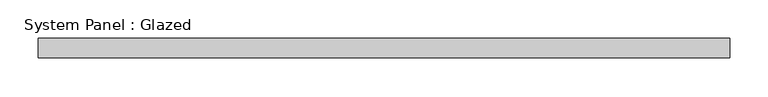
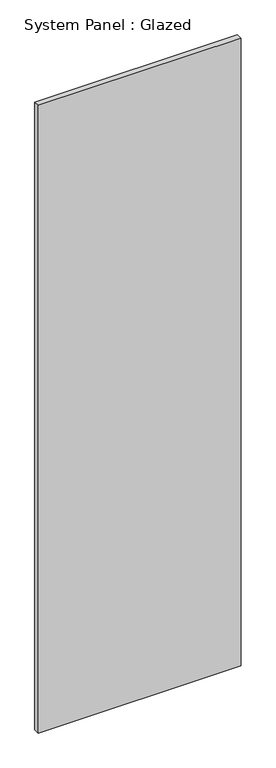
"""IFC4 building model written with IfcOpenShell, lengths in millimetres: plate geometry, System Panel : Glazed."""

import ifcopenshell
import ifcopenshell.guid

model = None  # the IFC model being written
_history = None  # IfcOwnerHistory: only IFC2X3 demands one
_inside = {}  # id of a spatial element -> (the spatial element, [elements in it])
_under = {}  # id of a project, library or spatial element -> (it, [spatial elements below it])
_declared = {}  # id of a project -> (the project, [libraries it declares])
_typed = {}  # id of a type object -> (the type object, [elements of that type])
_made_of = {}  # id of a material, layer set ... -> (it, [elements and type objects made of it])


def new_model(schema):
    """Start an empty IFC model of exactly this schema.

    Asked for "IFC4X3", IfcOpenShell would pick the latest addendum, in which some entities
    have other attributes; the version numbers below select the first issue.
    IFC2X3 requires an IfcOwnerHistory on every rooted entity: one is made here for all.
    """
    global model, _history
    if schema == "IFC4X3":
        model = ifcopenshell.file(schema_version=(4, 3, 0, 0))
    else:
        model = ifcopenshell.file(schema=schema)
    _inside.clear()
    _under.clear()
    _declared.clear()
    _typed.clear()
    _made_of.clear()
    _history = None
    if model.schema == "IFC2X3":
        org = make("IfcOrganization", Name="unknown")
        user = make(
            "IfcPersonAndOrganization",
            ThePerson=make("IfcPerson", FamilyName="unknown"),
            TheOrganization=org,
        )
        app = make(
            "IfcApplication",
            ApplicationDeveloper=org,
            Version="unknown",
            ApplicationFullName="unknown",
            ApplicationIdentifier="unknown",
        )
        _history = make(
            "IfcOwnerHistory",
            OwningUser=user,
            OwningApplication=app,
            ChangeAction="ADDED",
            CreationDate=0,
        )
    return model


def make(cls, **values):
    """One entity of the class cls with the attributes given. An attribute that is None is left unset."""
    return model.create_entity(
        cls, **{name: value for name, value in values.items() if value is not None}
    )


def rooted(cls, **values):
    """An entity with a GlobalId (a new one), such as an element, a storey or a relation."""
    return make(cls, GlobalId=ifcopenshell.guid.new(), OwnerHistory=_history, **values)


def si_unit(unit_type, name, prefix=None):
    """IfcSIUnit, for example si_unit("LENGTHUNIT", "METRE", prefix="MILLI")."""
    return make("IfcSIUnit", UnitType=unit_type, Prefix=prefix, Name=name)


def assignment(units):
    """IfcUnitAssignment: the units of a project."""
    return None if units is None else make("IfcUnitAssignment", Units=units)


def point(xyz):
    """IfcCartesianPoint."""
    return None if xyz is None else make("IfcCartesianPoint", Coordinates=xyz)


def direction(xyz):
    """IfcDirection."""
    return None if xyz is None else make("IfcDirection", DirectionRatios=xyz)


def frame(location, z_axis=None, x_axis=None):
    """IfcAxis2Placement3D, a coordinate frame: its origin and axes. An axis left out is left unset."""
    return make(
        "IfcAxis2Placement3D",
        Location=point(location),
        Axis=direction(z_axis),
        RefDirection=direction(x_axis),
    )


def origin():
    """The frame at (0, 0, 0) with its axes left unset."""
    return frame((0.0, 0.0, 0.0))


def origin_with_axes():
    """The frame at (0, 0, 0) with the z axis (0, 0, 1) and the x axis (1, 0, 0) written out."""
    return frame((0.0, 0.0, 0.0), z_axis=(0.0, 0.0, 1.0), x_axis=(1.0, 0.0, 0.0))


def place(relative_to, where):
    """IfcLocalPlacement: puts the frame where relative to a parent placement (None: the world)."""
    return make(
        "IfcLocalPlacement", PlacementRelTo=relative_to, RelativePlacement=where
    )


def context(
    kind, dimensions, precision=None, world=None, true_north=None, identifier=None
):
    """IfcGeometricRepresentationContext, for example the 3D "Model" context."""
    return make(
        "IfcGeometricRepresentationContext",
        ContextIdentifier=identifier,
        ContextType=kind,
        CoordinateSpaceDimension=dimensions,
        Precision=precision,
        WorldCoordinateSystem=world,
        TrueNorth=true_north,
    )


def project(units=None, contexts=None):
    """IfcProject with its units and contexts."""
    return rooted(
        "IfcProject",
        Name="project",
        RepresentationContexts=contexts,
        UnitsInContext=assignment(units),
    )


def spatial(cls, under=None, at=None, **own):
    """A site, building, storey or space (cls), placed at a placement, below another one or the project."""
    s = rooted(cls, ObjectPlacement=at, **own)
    if under is not None:
        _under.setdefault(under.id(), (under, []))[1].append(s)
    return s


def polyline(points):
    """IfcPolyline through the points."""
    return make("IfcPolyline", Points=[point(p) for p in points])


def outline(outer, holes=None, kind="AREA"):
    """IfcArbitraryClosedProfileDef: a profile drawn as a closed curve; with holes, ...WithVoids."""
    if holes is None:
        return make("IfcArbitraryClosedProfileDef", ProfileType=kind, OuterCurve=outer)
    return make(
        "IfcArbitraryProfileDefWithVoids",
        ProfileType=kind,
        OuterCurve=outer,
        InnerCurves=holes,
    )


def extrude(swept, where, along, depth):
    """IfcExtrudedAreaSolid: the profile swept, set in the frame where, extruded along a direction by depth."""
    return make(
        "IfcExtrudedAreaSolid",
        SweptArea=swept,
        Position=where,
        ExtrudedDirection=direction(along),
        Depth=depth,
    )


def shape(context_of_items, identifier, shape_type, items):
    """IfcShapeRepresentation: the items that make up one representation, for example the "Body"."""
    return make(
        "IfcShapeRepresentation",
        ContextOfItems=context_of_items,
        RepresentationIdentifier=identifier,
        RepresentationType=shape_type,
        Items=items,
    )


def source(mapping_origin, context_of_items, identifier, shape_type, items):
    """IfcRepresentationMap: a shape defined once, which mapped items show again and again."""
    return make(
        "IfcRepresentationMap",
        MappingOrigin=mapping_origin,
        MappedRepresentation=shape(context_of_items, identifier, shape_type, items),
    )


def transform(
    local_origin,
    x_axis=None,
    y_axis=None,
    z_axis=None,
    scale=None,
    scale2=None,
    scale3=None,
    uniform=True,
):
    """IfcCartesianTransformationOperator3D, or its non-uniform kind. x_axis, y_axis, z_axis: its Axis1, 2, 3."""
    if uniform:
        return make(
            "IfcCartesianTransformationOperator3D",
            Axis1=direction(x_axis),
            Axis2=direction(y_axis),
            LocalOrigin=point(local_origin),
            Scale=scale,
            Axis3=direction(z_axis),
        )
    return make(
        "IfcCartesianTransformationOperator3DnonUniform",
        Axis1=direction(x_axis),
        Axis2=direction(y_axis),
        LocalOrigin=point(local_origin),
        Scale=scale,
        Axis3=direction(z_axis),
        Scale2=scale2,
        Scale3=scale3,
    )


def mapped(mapping_source, mapping_target):
    """IfcMappedItem: shows the shape of a source again, moved by a transform."""
    return make(
        "IfcMappedItem", MappingSource=mapping_source, MappingTarget=mapping_target
    )


def made_of(thing, what):
    """Note that an element or type object is made of a material, layer set ...; save() writes the relation."""
    if what is not None:
        _made_of.setdefault(what.id(), (what, []))[1].append(thing)
    return thing


def element(
    cls,
    number,
    at=None,
    inside=None,
    cuts=None,
    type_object=None,
    material=None,
    context=None,
    identifier="Body",
    shape_type=None,
    held_by="IfcProductDefinitionShape",
    body=None,
    shapes=None,
    **own,
):
    """One element of the class cls, such as IfcWall. Its Tag is "e" and its number.

    at: its placement. inside: the storey or other place that contains it. cuts: it is an
    opening in that element (IfcRelVoidsElement). A single representation is given by context,
    identifier, shape_type and body (its items); several are given by shapes. held_by: the class
    of the entity that holds the representations. save() writes the other relations.
    """
    e = rooted(cls, Tag="e%d" % number, ObjectPlacement=at, **own)
    if body is not None:
        shapes = [shape(context, identifier, shape_type, body)]
    if shapes is not None:
        e.Representation = make(held_by, Representations=shapes)
    if inside is not None:
        _inside.setdefault(inside.id(), (inside, []))[1].append(e)
    if cuts is not None:
        rooted(
            "IfcRelVoidsElement", RelatingBuildingElement=cuts, RelatedOpeningElement=e
        )
    if type_object is not None:
        _typed.setdefault(type_object.id(), (type_object, []))[1].append(e)
    return made_of(e, material)


def aggregate(whole, parts):
    """IfcRelAggregates: a whole, such as a stair, and the parts it consists of."""
    return rooted("IfcRelAggregates", RelatingObject=whole, RelatedObjects=parts)


def save(model, path):
    """Write the relations noted so far, then the file.

    IfcRelAggregates (storeys below a building ...), IfcRelContainedInSpatialStructure (elements
    in a storey), IfcRelDefinesByType, IfcRelAssociatesMaterial and IfcRelDeclares: one each for
    every whole, place, type object, material and project.
    """
    for whole, parts in _under.values():
        aggregate(whole, parts)
    for where, things in _inside.values():
        rooted(
            "IfcRelContainedInSpatialStructure",
            RelatedElements=things,
            RelatingStructure=where,
        )
    for kind, things in _typed.values():
        rooted("IfcRelDefinesByType", RelatedObjects=things, RelatingType=kind)
    for what, things in _made_of.values():
        rooted("IfcRelAssociatesMaterial", RelatedObjects=things, RelatingMaterial=what)
    for by, libraries in _declared.values():
        rooted("IfcRelDeclares", RelatingContext=by, RelatedDefinitions=libraries)
    model.write(path)


def system_panel_glazed_a292865b(model_context):
    return source(origin(), model_context, "Body", "SweptSolid", [
        extrude(outline(polyline([(450.85, 25.4), (-450.85, 25.4), (-450.85, 50.8), (450.85, 50.8), (450.85, 25.4)])), origin_with_axes(), (0.0, 0.0, 1.0), 2946.4),
    ])


if __name__ == "__main__":
    model = new_model("IFC4")
    model_context = context("Model", 3, world=origin())
    ifc_project = project(units=[si_unit("LENGTHUNIT", "METRE", prefix="MILLI")], contexts=[model_context])
    site = spatial("IfcSite", under=ifc_project)
    building = spatial("IfcBuilding", under=site)
    placement = place(None, origin())
    system_panel_glazed_shape = system_panel_glazed_a292865b(model_context)
    element("IfcPlate", 1, ObjectType="System Panel : Glazed", at=placement, inside=building, context=model_context, shape_type="MappedRepresentation", body=[
        mapped(system_panel_glazed_shape, transform((0.0, 0.0, 0.0), x_axis=(1.0, 0.0, 0.0), y_axis=(0.0, 1.0, 0.0), z_axis=(0.0, 0.0, 1.0))),
    ])
    save(model, "model.ifc")
